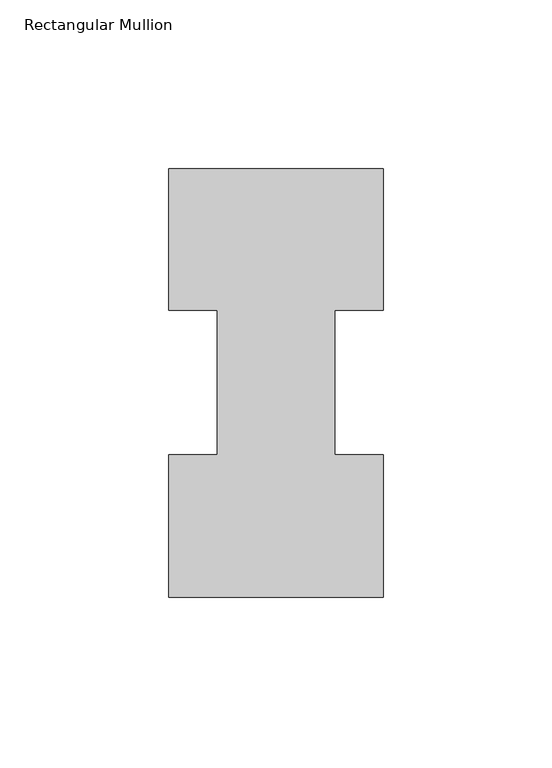
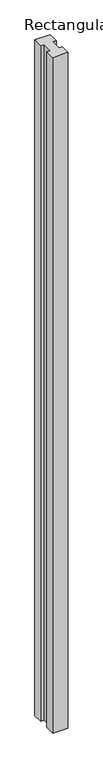
"""IFC4 building model written with IfcOpenShell, lengths in millimetres: member geometry, Rectangular Mullion."""

from ifc_helpers import new_model, si_unit, frame, origin, place, context, project, spatial, polyline, outline, extrude, source, transform, mapped, element, save


def rectangular_mullion_4bac0c39(model_context):
    return source(origin(), model_context, "Body", "SweptSolid", [
        extrude(outline(polyline([(31.75, 126.9888875), (31.75, 85.1296875), (17.4635851, 85.1296875), (17.4635851, 42.2798875), (31.75, 42.2798875), (31.75, -0.0111125), (-31.75, -0.0111125), (-31.75, 42.2798875), (-17.4635851, 42.2798875), (-17.4635851, 85.1296875), (-31.75, 85.1296875), (-31.75, 126.9888875), (31.75, 126.9888875)])), frame((0.0, 0.0, -2959.1), z_axis=(0.0, 0.0, 1.0), x_axis=(1.0, 0.0, 0.0)), (0.0, 0.0, 1.0), 2959.1),
    ])


if __name__ == "__main__":
    model = new_model("IFC4")
    model_context = context("Model", 3, world=origin())
    ifc_project = project(units=[si_unit("LENGTHUNIT", "METRE", prefix="MILLI")], contexts=[model_context])
    site = spatial("IfcSite", under=ifc_project)
    building = spatial("IfcBuilding", under=site)
    placement = place(None, origin())
    rectangular_mullion_shape = rectangular_mullion_4bac0c39(model_context)
    element("IfcMember", 1, ObjectType="Rectangular Mullion", at=placement, inside=building, context=model_context, shape_type="MappedRepresentation", body=[
        mapped(rectangular_mullion_shape, transform((0.0, 0.0, 0.0), x_axis=(1.0, 0.0, 0.0), y_axis=(0.0, 1.0, 0.0), z_axis=(0.0, 0.0, 1.0))),
    ])
    save(model, "model.ifc")
